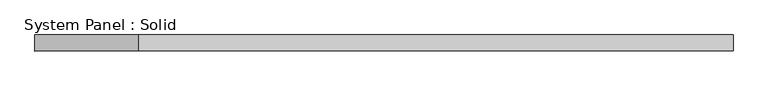
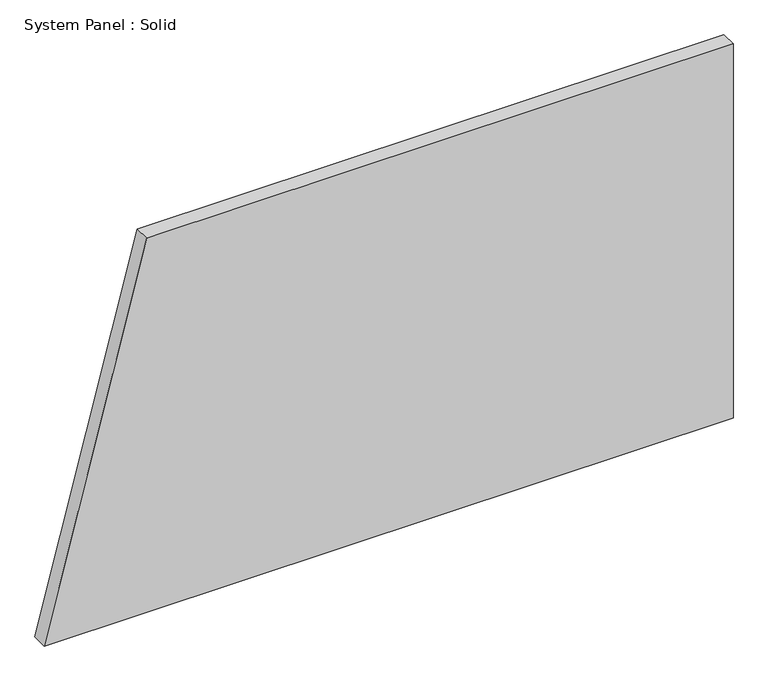
"""IFC4 building model written with IfcOpenShell, lengths in millimetres: plate geometry, System Panel : Solid."""

from ifc_helpers import new_model, si_unit, frame, origin, place, context, project, spatial, polyline, outline, extrude, source, transform, mapped, element, save


def system_panel_solid_e43bde0b(model_context):
    return source(origin(), model_context, "Body", "SweptSolid", [
        extrude(outline(polyline([(0.0, -1305.7167327), (0.0, 1305.7167327), (1500.0, 1305.7167327), (1500.0, -917.1501977), (0.0, -1305.7167327)])), frame((0.0, -10.5, 0.0), z_axis=(0.0, 1.0, 0.0), x_axis=(0.0, 0.0, 1.0)), (0.0, 0.0, 1.0), 60.0),
    ])


if __name__ == "__main__":
    model = new_model("IFC4")
    model_context = context("Model", 3, world=origin())
    ifc_project = project(units=[si_unit("LENGTHUNIT", "METRE", prefix="MILLI")], contexts=[model_context])
    site = spatial("IfcSite", under=ifc_project)
    building = spatial("IfcBuilding", under=site)
    placement = place(None, origin())
    system_panel_solid_shape = system_panel_solid_e43bde0b(model_context)
    element("IfcPlate", 1, ObjectType="System Panel : Solid", at=placement, inside=building, context=model_context, shape_type="MappedRepresentation", body=[
        mapped(system_panel_solid_shape, transform((0.0, 0.0, 0.0), x_axis=(1.0, 0.0, 0.0), y_axis=(0.0, 1.0, 0.0), z_axis=(0.0, 0.0, 1.0))),
    ])
    save(model, "model.ifc")
